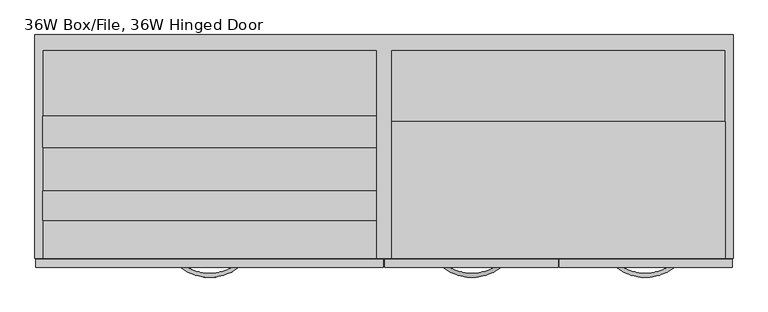
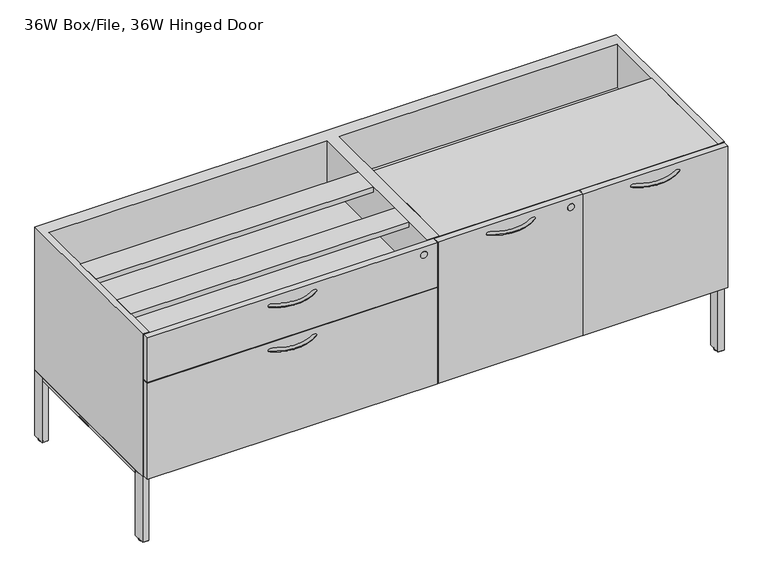
"""IFC4 building model written with IfcOpenShell, lengths in millimetres: furniture geometry, 36W Box/File, 36W Hinged Door."""

import ifcopenshell
import ifcopenshell.guid

model = None  # the IFC model being written
_history = None  # IfcOwnerHistory: only IFC2X3 demands one
_inside = {}  # id of a spatial element -> (the spatial element, [elements in it])
_under = {}  # id of a project, library or spatial element -> (it, [spatial elements below it])
_declared = {}  # id of a project -> (the project, [libraries it declares])
_typed = {}  # id of a type object -> (the type object, [elements of that type])
_made_of = {}  # id of a material, layer set ... -> (it, [elements and type objects made of it])


def new_model(schema):
    """Start an empty IFC model of exactly this schema.

    Asked for "IFC4X3", IfcOpenShell would pick the latest addendum, in which some entities
    have other attributes; the version numbers below select the first issue.
    IFC2X3 requires an IfcOwnerHistory on every rooted entity: one is made here for all.
    """
    global model, _history
    if schema == "IFC4X3":
        model = ifcopenshell.file(schema_version=(4, 3, 0, 0))
    else:
        model = ifcopenshell.file(schema=schema)
    _inside.clear()
    _under.clear()
    _declared.clear()
    _typed.clear()
    _made_of.clear()
    _history = None
    if model.schema == "IFC2X3":
        org = make("IfcOrganization", Name="unknown")
        user = make(
            "IfcPersonAndOrganization",
            ThePerson=make("IfcPerson", FamilyName="unknown"),
            TheOrganization=org,
        )
        app = make(
            "IfcApplication",
            ApplicationDeveloper=org,
            Version="unknown",
            ApplicationFullName="unknown",
            ApplicationIdentifier="unknown",
        )
        _history = make(
            "IfcOwnerHistory",
            OwningUser=user,
            OwningApplication=app,
            ChangeAction="ADDED",
            CreationDate=0,
        )
    return model


def make(cls, **values):
    """One entity of the class cls with the attributes given. An attribute that is None is left unset."""
    return model.create_entity(
        cls, **{name: value for name, value in values.items() if value is not None}
    )


def rooted(cls, **values):
    """An entity with a GlobalId (a new one), such as an element, a storey or a relation."""
    return make(cls, GlobalId=ifcopenshell.guid.new(), OwnerHistory=_history, **values)


def si_unit(unit_type, name, prefix=None):
    """IfcSIUnit, for example si_unit("LENGTHUNIT", "METRE", prefix="MILLI")."""
    return make("IfcSIUnit", UnitType=unit_type, Prefix=prefix, Name=name)


def assignment(units):
    """IfcUnitAssignment: the units of a project."""
    return None if units is None else make("IfcUnitAssignment", Units=units)


def point(xyz):
    """IfcCartesianPoint."""
    return None if xyz is None else make("IfcCartesianPoint", Coordinates=xyz)


def direction(xyz):
    """IfcDirection."""
    return None if xyz is None else make("IfcDirection", DirectionRatios=xyz)


def frame(location, z_axis=None, x_axis=None):
    """IfcAxis2Placement3D, a coordinate frame: its origin and axes. An axis left out is left unset."""
    return make(
        "IfcAxis2Placement3D",
        Location=point(location),
        Axis=direction(z_axis),
        RefDirection=direction(x_axis),
    )


def frame_2d(location, x_axis=None):
    """IfcAxis2Placement2D, a coordinate frame in the plane: its origin and x axis."""
    return make(
        "IfcAxis2Placement2D", Location=point(location), RefDirection=direction(x_axis)
    )


def origin():
    """The frame at (0, 0, 0) with its axes left unset."""
    return frame((0.0, 0.0, 0.0))


def place(relative_to, where):
    """IfcLocalPlacement: puts the frame where relative to a parent placement (None: the world)."""
    return make(
        "IfcLocalPlacement", PlacementRelTo=relative_to, RelativePlacement=where
    )


def context(
    kind, dimensions, precision=None, world=None, true_north=None, identifier=None
):
    """IfcGeometricRepresentationContext, for example the 3D "Model" context."""
    return make(
        "IfcGeometricRepresentationContext",
        ContextIdentifier=identifier,
        ContextType=kind,
        CoordinateSpaceDimension=dimensions,
        Precision=precision,
        WorldCoordinateSystem=world,
        TrueNorth=true_north,
    )


def project(units=None, contexts=None):
    """IfcProject with its units and contexts."""
    return rooted(
        "IfcProject",
        Name="project",
        RepresentationContexts=contexts,
        UnitsInContext=assignment(units),
    )


def spatial(cls, under=None, at=None, **own):
    """A site, building, storey or space (cls), placed at a placement, below another one or the project."""
    s = rooted(cls, ObjectPlacement=at, **own)
    if under is not None:
        _under.setdefault(under.id(), (under, []))[1].append(s)
    return s


def polyline(points):
    """IfcPolyline through the points."""
    return make("IfcPolyline", Points=[point(p) for p in points])


def circle_curve(where, radius):
    """IfcCircle in the frame where."""
    return make("IfcCircle", Position=where, Radius=radius)


def ellipse_curve(where, semi_axis1, semi_axis2):
    """IfcEllipse in the frame where."""
    return make(
        "IfcEllipse", Position=where, SemiAxis1=semi_axis1, SemiAxis2=semi_axis2
    )


def trimmed(basis, trim1, trim2, sense, master):
    """IfcTrimmedCurve: the piece of a basis curve between two trims."""
    return make(
        "IfcTrimmedCurve",
        BasisCurve=basis,
        Trim1=trim1,
        Trim2=trim2,
        SenseAgreement=sense,
        MasterRepresentation=master,
    )


def segment(curve, same_sense, transition):
    """IfcCompositeCurveSegment."""
    return make(
        "IfcCompositeCurveSegment",
        Transition=transition,
        SameSense=same_sense,
        ParentCurve=curve,
    )


def composite_curve(segments, self_intersect=None):
    """IfcCompositeCurve: segments joined end to end."""
    return make("IfcCompositeCurve", Segments=segments, SelfIntersect=self_intersect)


def outline(outer, holes=None, kind="AREA"):
    """IfcArbitraryClosedProfileDef: a profile drawn as a closed curve; with holes, ...WithVoids."""
    if holes is None:
        return make("IfcArbitraryClosedProfileDef", ProfileType=kind, OuterCurve=outer)
    return make(
        "IfcArbitraryProfileDefWithVoids",
        ProfileType=kind,
        OuterCurve=outer,
        InnerCurves=holes,
    )


def extrude(swept, where, along, depth):
    """IfcExtrudedAreaSolid: the profile swept, set in the frame where, extruded along a direction by depth."""
    return make(
        "IfcExtrudedAreaSolid",
        SweptArea=swept,
        Position=where,
        ExtrudedDirection=direction(along),
        Depth=depth,
    )


def faces_of(points, faces, orient=None, outer=None):
    """IfcFace entities. A face is a list of loops; a loop is a list of indices into points, from 0.

    orient and outer hold one flag for each loop. By default every Orientation is true, the
    first loop of a face is its IfcFaceOuterBound and the others are IfcFaceBound.
    """
    made = []
    for i, loops in enumerate(faces):
        bounds = []
        for j, loop in enumerate(loops):
            is_outer = j == 0 if outer is None else outer[i][j]
            bounds.append(
                make(
                    "IfcFaceOuterBound" if is_outer else "IfcFaceBound",
                    Bound=make("IfcPolyLoop", Polygon=[points[k] for k in loop]),
                    Orientation=True if orient is None else orient[i][j],
                )
            )
        made.append(make("IfcFace", Bounds=bounds))
    return made


def faceted_brep(points, faces, orient=None, outer=None, voids=None):
    """IfcFacetedBrep: a solid bounded by flat faces; with voids (closed shells), ...WithVoids."""
    shared = [point(p) for p in points]
    hull = make("IfcClosedShell", CfsFaces=faces_of(shared, faces, orient, outer))
    if voids is None:
        return make("IfcFacetedBrep", Outer=hull)
    return make(
        "IfcFacetedBrepWithVoids",
        Outer=hull,
        Voids=[
            make(cls, CfsFaces=faces_of(shared, fs, o, b)) for cls, fs, o, b in voids
        ],
    )


def shape(context_of_items, identifier, shape_type, items):
    """IfcShapeRepresentation: the items that make up one representation, for example the "Body"."""
    return make(
        "IfcShapeRepresentation",
        ContextOfItems=context_of_items,
        RepresentationIdentifier=identifier,
        RepresentationType=shape_type,
        Items=items,
    )


def source(mapping_origin, context_of_items, identifier, shape_type, items):
    """IfcRepresentationMap: a shape defined once, which mapped items show again and again."""
    return make(
        "IfcRepresentationMap",
        MappingOrigin=mapping_origin,
        MappedRepresentation=shape(context_of_items, identifier, shape_type, items),
    )


def transform(
    local_origin,
    x_axis=None,
    y_axis=None,
    z_axis=None,
    scale=None,
    scale2=None,
    scale3=None,
    uniform=True,
):
    """IfcCartesianTransformationOperator3D, or its non-uniform kind. x_axis, y_axis, z_axis: its Axis1, 2, 3."""
    if uniform:
        return make(
            "IfcCartesianTransformationOperator3D",
            Axis1=direction(x_axis),
            Axis2=direction(y_axis),
            LocalOrigin=point(local_origin),
            Scale=scale,
            Axis3=direction(z_axis),
        )
    return make(
        "IfcCartesianTransformationOperator3DnonUniform",
        Axis1=direction(x_axis),
        Axis2=direction(y_axis),
        LocalOrigin=point(local_origin),
        Scale=scale,
        Axis3=direction(z_axis),
        Scale2=scale2,
        Scale3=scale3,
    )


def mapped(mapping_source, mapping_target):
    """IfcMappedItem: shows the shape of a source again, moved by a transform."""
    return make(
        "IfcMappedItem", MappingSource=mapping_source, MappingTarget=mapping_target
    )


def made_of(thing, what):
    """Note that an element or type object is made of a material, layer set ...; save() writes the relation."""
    if what is not None:
        _made_of.setdefault(what.id(), (what, []))[1].append(thing)
    return thing


def element(
    cls,
    number,
    at=None,
    inside=None,
    cuts=None,
    type_object=None,
    material=None,
    context=None,
    identifier="Body",
    shape_type=None,
    held_by="IfcProductDefinitionShape",
    body=None,
    shapes=None,
    **own,
):
    """One element of the class cls, such as IfcWall. Its Tag is "e" and its number.

    at: its placement. inside: the storey or other place that contains it. cuts: it is an
    opening in that element (IfcRelVoidsElement). A single representation is given by context,
    identifier, shape_type and body (its items); several are given by shapes. held_by: the class
    of the entity that holds the representations. save() writes the other relations.
    """
    e = rooted(cls, Tag="e%d" % number, ObjectPlacement=at, **own)
    if body is not None:
        shapes = [shape(context, identifier, shape_type, body)]
    if shapes is not None:
        e.Representation = make(held_by, Representations=shapes)
    if inside is not None:
        _inside.setdefault(inside.id(), (inside, []))[1].append(e)
    if cuts is not None:
        rooted(
            "IfcRelVoidsElement", RelatingBuildingElement=cuts, RelatedOpeningElement=e
        )
    if type_object is not None:
        _typed.setdefault(type_object.id(), (type_object, []))[1].append(e)
    return made_of(e, material)


def aggregate(whole, parts):
    """IfcRelAggregates: a whole, such as a stair, and the parts it consists of."""
    return rooted("IfcRelAggregates", RelatingObject=whole, RelatedObjects=parts)


def save(model, path):
    """Write the relations noted so far, then the file.

    IfcRelAggregates (storeys below a building ...), IfcRelContainedInSpatialStructure (elements
    in a storey), IfcRelDefinesByType, IfcRelAssociatesMaterial and IfcRelDeclares: one each for
    every whole, place, type object, material and project.
    """
    for whole, parts in _under.values():
        aggregate(whole, parts)
    for where, things in _inside.values():
        rooted(
            "IfcRelContainedInSpatialStructure",
            RelatedElements=things,
            RelatingStructure=where,
        )
    for kind, things in _typed.values():
        rooted("IfcRelDefinesByType", RelatedObjects=things, RelatingType=kind)
    for what, things in _made_of.values():
        rooted("IfcRelAssociatesMaterial", RelatedObjects=things, RelatingMaterial=what)
    for by, libraries in _declared.values():
        rooted("IfcRelDeclares", RelatingContext=by, RelatedDefinitions=libraries)
    model.write(path)


def plane_surface(at):
    """IfcPlane: the flat surface through the origin of the frame at, square to its z axis."""
    return make("IfcPlane", Position=at)


def cylinder_surface(at, radius):
    """IfcCylindricalSurface: all points at the distance radius from the z axis of the frame at."""
    return make("IfcCylindricalSurface", Position=at, Radius=radius)


def revolved_surface(curve, axis_point, axis_direction):
    """IfcSurfaceOfRevolution: the curve turned about the line through axis_point along axis_direction."""
    return make(
        "IfcSurfaceOfRevolution",
        SweptCurve=make("IfcArbitraryOpenProfileDef", ProfileType="CURVE", Curve=curve),
        AxisPosition=make("IfcAxis1Placement", Location=point(axis_point), Axis=direction(axis_direction)),
    )


def advanced_brep(points, edges, surfaces, faces):
    """IfcAdvancedBrep: a solid bounded by faces that lie on surfaces and meet in shared edges.

    An edge is (start, end): straight between two places in points (the first is 0);
    or (start, end, curve); or (start, end, curve, False) where it runs against its curve.
    A face is (place in surfaces, loops), or (place, loops, False) where it looks against
    its surface's normal. A loop lists edges by number (the first is 1), with a minus sign
    where the edge is run from its end to its start. The first loop is the outer one.
    """
    corners = [point(p) for p in points]
    vertices = [make("IfcVertexPoint", VertexGeometry=c) for c in corners]
    made = []
    for start, end, *more in edges:
        made.append(
            make(
                "IfcEdgeCurve",
                EdgeStart=vertices[start],
                EdgeEnd=vertices[end],
                EdgeGeometry=more[0] if more else make("IfcPolyline", Points=[corners[start], corners[end]]),
                SameSense=more[1] if len(more) > 1 else True,
            )
        )
    hull = []
    for where, loops, *sense in faces:
        bounds = []
        for j, loop in enumerate(loops):
            ring = [make("IfcOrientedEdge", EdgeElement=made[abs(k) - 1], Orientation=k > 0) for k in loop]
            bounds.append(
                make(
                    "IfcFaceOuterBound" if j == 0 else "IfcFaceBound",
                    Bound=make("IfcEdgeLoop", EdgeList=ring),
                    Orientation=True,
                )
            )
        hull.append(make("IfcAdvancedFace", Bounds=bounds, FaceSurface=surfaces[where], SameSense=sense[0] if sense else True))
    return make("IfcAdvancedBrep", Outer=make("IfcClosedShell", CfsFaces=hull))


def furniture_36w_box_file_36w_hinged_door_ad2e7df7(model_context):
    return source(origin(), model_context, "Body", "SolidModel", [
        extrude(outline(polyline([(1792.2879219, 566.5293675), (1792.2879219, 20.2565128), (918.1255589, 20.2565128), (918.1255589, 566.5293675), (1792.2879219, 566.5293675)])), frame((0.0, 0.0, 533.8249256), z_axis=(0.0, 0.0, 1.0), x_axis=(1.0, 0.0, 0.0)), (0.0, 0.0, 1.0), 20.4326556),
        extrude(outline(polyline([(1792.2879219, 379.5127302), (1792.2879219, 20.2565128), (918.1255589, 20.2565128), (918.1255589, 379.5127302), (1792.2879219, 379.5127302)])), frame((0.0, 0.0, 680.533461), z_axis=(0.0, 0.0, 1.0), x_axis=(1.0, 0.0, 0.0)), (0.0, 0.0, 1.0), 17.4584819),
        extrude(outline(composite_curve([segment(trimmed(circle_curve(frame_2d((668.0536716, 1317.0976722)), 10.668), [point((668.0536716, 1306.4296722))], [point((668.0536716, 1327.7656722))], False, "CARTESIAN"), True, "CONTINUOUS"), segment(trimmed(circle_curve(frame_2d((668.0536716, 1317.0976722)), 10.668), [point((668.0536716, 1327.7656722))], [point((668.0536716, 1306.4296722))], False, "CARTESIAN"), True, "CONTINUOUS")], self_intersect=False)), frame((0.0, -3.2839442, 0.0), z_axis=(0.0, 1.0, 0.0), x_axis=(0.0, 0.0, 1.0)), (0.0, 0.0, 1.0), 0.5057652),
        advanced_brep(
        [(1051.3865855, -3.5066506, 670.7457627), (1057.522906, 4.5909521, 670.7457627), (1204.6409965, -3.5066506, 670.7457627), (1198.504676, 4.5909521, 670.7457627)],
        [
            (0, 1, circle_curve(frame((1054.4547457, 0.5421507, 670.7457627), z_axis=(-0.7970081450666516, 0.6039685560502428, 0.0), x_axis=(0.6039685560502428, 0.7970081450666516, 0.0)), 5.08)),
            (1, 0, circle_curve(frame((1054.4547457, 0.5421507, 670.7457627), z_axis=(-0.7970081450666516, 0.6039685560502428, 0.0), x_axis=(0.6039685560502428, 0.7970081450666516, 0.0)), 5.08)),
            (2, 3, circle_curve(frame((1201.5728363, 0.5421507, 670.7457627), z_axis=(0.7970081450666516, 0.6039685560502429, 0.0), x_axis=(-0.6039685560502429, 0.7970081450666516, 0.0)), 5.08)),
            (3, 2, circle_curve(frame((1201.5728363, 0.5421507, 670.7457627), z_axis=(0.7970081450666516, 0.6039685560502429, 0.0), x_axis=(-0.6039685560502429, 0.7970081450666516, 0.0)), 5.08)),
            (3, 1, circle_curve(frame((1128.013791, 97.6120357, 670.7457627), z_axis=(0.0, 0.0, -1.0), x_axis=(-0.6039685560502428, -0.7970081450666516, 0.0)), 116.7128393)),
            (0, 2, circle_curve(frame((1128.013791, 97.6120357, 670.7457627), z_axis=(0.0, 0.0, 1.0), x_axis=(-0.6039685560502428, -0.7970081450666516, 0.0)), 126.8728393)),
        ],
        [
            plane_surface(frame((1054.40765, 0.4800024, 821.5631686), z_axis=(-0.7970081450666516, 0.6039685560502428, 0.0), x_axis=(0.0, 0.0, 1.0))),
            plane_surface(frame((1201.6199319, 0.4800024, 821.5631686), z_axis=(0.7970081450666516, 0.6039685560502429, 0.0), x_axis=(0.0, 0.0, 1.0))),
            revolved_surface(trimmed(ellipse_curve(frame((1054.4547457, 0.5421507, 670.7457627), z_axis=(-0.7970081450666516, 0.6039685560502428, 0.0), x_axis=(0.6039685560502428, 0.7970081450666516, 0.0)), 5.08, 5.08), [point((1051.3865855, -3.5066506, 670.7457627))], [point((1057.522906, 4.5909521, 670.7457627))], True, "CARTESIAN"), (1128.013791, 97.6120357, 821.5631686), (0.0, 0.0, 1.0)),
            revolved_surface(trimmed(ellipse_curve(frame((1054.4547457, 0.5421507, 670.7457627), z_axis=(-0.7970081450666516, 0.6039685560502428, 0.0), x_axis=(0.6039685560502428, 0.7970081450666516, 0.0)), 5.08, 5.08), [point((1057.522906, 4.5909521, 670.7457627))], [point((1051.3865855, -3.5066506, 670.7457627))], True, "CARTESIAN"), (1128.013791, 97.6120357, 821.5631686), (0.0, 0.0, 1.0)),
        ],
        [
            (0, [[1, 2]]),
            (1, [[3, 4]]),
            (2, [[5, -1, 6, -4]]),
            (3, [[-6, -2, -5, -3]]),
        ],
    ),
        advanced_brep(
        [(1652.7849378, 4.5909521, 670.7457627), (1658.9212584, -3.5066506, 670.7457627), (1511.8031678, 4.5909521, 670.7457627), (1505.6668473, -3.5066506, 670.7457627)],
        [
            (0, 1, circle_curve(frame((1655.8530981, 0.5421507, 670.7457627), z_axis=(0.7970081450666516, 0.6039685560502428, 0.0), x_axis=(0.6039685560502428, -0.7970081450666516, 0.0)), 5.08)),
            (1, 0, circle_curve(frame((1655.8530981, 0.5421507, 670.7457627), z_axis=(0.7970081450666516, 0.6039685560502428, 0.0), x_axis=(0.6039685560502428, -0.7970081450666516, 0.0)), 5.08)),
            (2, 3, circle_curve(frame((1508.7350076, 0.5421507, 670.7457627), z_axis=(-0.7970081450666516, 0.6039685560502429, 0.0), x_axis=(-0.6039685560502429, -0.7970081450666516, 0.0)), 5.08)),
            (3, 2, circle_curve(frame((1508.7350076, 0.5421507, 670.7457627), z_axis=(-0.7970081450666516, 0.6039685560502429, 0.0), x_axis=(-0.6039685560502429, -0.7970081450666516, 0.0)), 5.08)),
            (3, 1, circle_curve(frame((1582.2940528, 97.6120357, 670.7457627), z_axis=(0.0, 0.0, 1.0), x_axis=(0.6039685560502428, -0.7970081450666516, 0.0)), 126.8728393)),
            (0, 2, circle_curve(frame((1582.2940528, 97.6120357, 670.7457627), z_axis=(0.0, 0.0, -1.0), x_axis=(0.6039685560502428, -0.7970081450666516, 0.0)), 116.7128393)),
        ],
        [
            plane_surface(frame((1655.9001938, 0.4800024, 821.5631686), z_axis=(0.7970081450666516, 0.6039685560502428, 0.0), x_axis=(0.0, 0.0, 1.0))),
            plane_surface(frame((1508.6879119, 0.4800024, 821.5631686), z_axis=(-0.7970081450666516, 0.6039685560502429, 0.0), x_axis=(0.0, 0.0, 1.0))),
            revolved_surface(trimmed(ellipse_curve(frame((1655.8530981, 0.5421507, 670.7457627), z_axis=(0.7970081450666516, 0.6039685560502428, 0.0), x_axis=(0.6039685560502428, -0.7970081450666516, 0.0)), 5.08, 5.08), [point((1652.7849378, 4.5909521, 670.7457627))], [point((1658.9212584, -3.5066506, 670.7457627))], True, "CARTESIAN"), (1582.2940528, 97.6120357, 821.5631686), (0.0, 0.0, -1.0)),
            revolved_surface(trimmed(ellipse_curve(frame((1655.8530981, 0.5421507, 670.7457627), z_axis=(0.7970081450666516, 0.6039685560502428, 0.0), x_axis=(0.6039685560502428, -0.7970081450666516, 0.0)), 5.08, 5.08), [point((1658.9212584, -3.5066506, 670.7457627))], [point((1652.7849378, 4.5909521, 670.7457627))], True, "CARTESIAN"), (1582.2940528, 97.6120357, 821.5631686), (0.0, 0.0, -1.0)),
        ],
        [
            (0, [[1, 2]]),
            (1, [[3, 4]]),
            (2, [[5, -1, 6, -4]]),
            (3, [[-6, -2, -5, -3]]),
        ],
    ),
        extrude(outline(polyline([(1353.8839219, -2.7781791), (899.7319219, -2.7781791), (899.7319219, 17.389475), (1353.8839219, 17.389475), (1353.8839219, -2.7781791)])), frame((0.0, 0.0, 227.4632064), z_axis=(0.0, 0.0, 1.0), x_axis=(1.0, 0.0, 0.0)), (0.0, 0.0, 1.0), 470.5287365),
        extrude(outline(polyline([(1810.5759219, -2.7781791), (1356.4239219, -2.7781791), (1356.4239219, 17.389475), (1810.5759219, 17.389475), (1810.5759219, -2.7781791)])), frame((0.0, 0.0, 227.4632064), z_axis=(0.0, 0.0, 1.0), x_axis=(1.0, 0.0, 0.0)), (0.0, 0.0, 1.0), 470.5287365),
        extrude(outline(polyline([(877.8879219, 566.5293675), (877.8879219, 20.2565128), (3.7255589, 20.2565128), (3.7255589, 566.5293675), (877.8879219, 566.5293675)])), frame((0.0, 0.0, 533.8249256), z_axis=(0.0, 0.0, 1.0), x_axis=(1.0, 0.0, 0.0)), (0.0, 0.0, 1.0), 20.4326556),
        extrude(outline(polyline([(877.8879219, 393.7476878), (877.8879219, 311.6469094), (3.7255589, 311.6469094), (3.7255589, 393.7476878), (877.8879219, 393.7476878)])), frame((0.0, 0.0, 680.533461), z_axis=(0.0, 0.0, 1.0), x_axis=(1.0, 0.0, 0.0)), (0.0, 0.0, 1.0), 17.4584819),
        extrude(outline(polyline([(877.8879219, 196.8653932), (877.8879219, 119.6379172), (3.7255589, 119.6379172), (3.7255589, 196.8653932), (877.8879219, 196.8653932)])), frame((0.0, 0.0, 680.533461), z_axis=(0.0, 0.0, 1.0), x_axis=(1.0, 0.0, 0.0)), (0.0, 0.0, 1.0), 17.4584819),
        extrude(outline(composite_curve([segment(trimmed(circle_curve(frame_2d((671.2286716, 855.1353488)), 10.668), [point((671.2286716, 844.4673488))], [point((671.2286716, 865.8033488))], False, "CARTESIAN"), True, "CONTINUOUS"), segment(trimmed(circle_curve(frame_2d((671.2286716, 855.1353488)), 10.668), [point((671.2286716, 865.8033488))], [point((671.2286716, 844.4673488))], False, "CARTESIAN"), True, "CONTINUOUS")], self_intersect=False)), frame((0.0, -3.2839442, 0.0), z_axis=(0.0, 1.0, 0.0), x_axis=(0.0, 0.0, 1.0)), (0.0, 0.0, 1.0), 0.5057652),
        extrude(outline(polyline([(896.1759219, -2.7781791), (-14.6680781, -2.7781791), (-14.6680781, 17.389475), (896.1759219, 17.389475), (896.1759219, -2.7781791)])), frame((0.0, 0.0, 227.4632064), z_axis=(0.0, 0.0, 1.0), x_axis=(1.0, 0.0, 0.0)), (0.0, 0.0, 1.0), 319.6435151),
        advanced_brep(
        [(511.6264378, 4.5909521, 523.489484), (517.7627584, -3.5066506, 523.489484), (370.6446678, 4.5909521, 523.489484), (364.5083473, -3.5066506, 523.489484)],
        [
            (0, 1, circle_curve(frame((514.6945981, 0.5421507, 523.489484), z_axis=(0.7970081450658205, 0.6039685560513396, 0.0), x_axis=(0.6039685560513396, -0.7970081450658205, 0.0)), 5.08)),
            (1, 0, circle_curve(frame((514.6945981, 0.5421507, 523.489484), z_axis=(0.7970081450658205, 0.6039685560513396, 0.0), x_axis=(0.6039685560513396, -0.7970081450658205, 0.0)), 5.08)),
            (2, 3, circle_curve(frame((367.5765076, 0.5421507, 523.489484), z_axis=(-0.7970081450658225, 0.6039685560513367, 0.0), x_axis=(-0.6039685560513367, -0.7970081450658225, 0.0)), 5.08)),
            (3, 2, circle_curve(frame((367.5765076, 0.5421507, 523.489484), z_axis=(-0.7970081450658225, 0.6039685560513367, 0.0), x_axis=(-0.6039685560513367, -0.7970081450658225, 0.0)), 5.08)),
            (3, 1, circle_curve(frame((441.1355528, 97.6120357, 523.489484), z_axis=(0.0, 0.0, 1.0), x_axis=(0.6039685560513394, -0.7970081450658206, 0.0)), 126.8728393)),
            (0, 2, circle_curve(frame((441.1355528, 97.6120357, 523.489484), z_axis=(0.0, 0.0, -1.0), x_axis=(0.6039685560513394, -0.7970081450658206, 0.0)), 116.7128393)),
        ],
        [
            plane_surface(frame((514.7416938, 0.4800024, 674.3068899), z_axis=(0.7970081450658206, 0.6039685560513394, 0.0), x_axis=(0.0, 0.0, 1.0))),
            plane_surface(frame((367.5294119, 0.4800024, 674.3068899), z_axis=(-0.7970081450658225, 0.6039685560513369, 0.0), x_axis=(0.0, 0.0, 1.0))),
            revolved_surface(trimmed(ellipse_curve(frame((514.6945981, 0.5421507, 523.489484), z_axis=(0.7970081450658205, 0.6039685560513396, 0.0), x_axis=(0.6039685560513396, -0.7970081450658205, 0.0)), 5.08, 5.08), [point((511.6264378, 4.5909521, 523.489484))], [point((517.7627584, -3.5066506, 523.489484))], True, "CARTESIAN"), (441.1355528, 97.6120357, 674.3068899), (0.0, 0.0, -1.0)),
            revolved_surface(trimmed(ellipse_curve(frame((514.6945981, 0.5421507, 523.489484), z_axis=(0.7970081450658205, 0.6039685560513396, 0.0), x_axis=(0.6039685560513396, -0.7970081450658205, 0.0)), 5.08, 5.08), [point((517.7627584, -3.5066506, 523.489484))], [point((511.6264378, 4.5909521, 523.489484))], True, "CARTESIAN"), (441.1355528, 97.6120357, 674.3068899), (0.0, 0.0, -1.0)),
        ],
        [
            (0, [[1, 2]]),
            (1, [[3, 4]]),
            (2, [[5, -1, 6, -4]]),
            (3, [[-6, -2, -5, -3]]),
        ],
    ),
        advanced_brep(
        [(511.6264378, 4.5909521, 670.7457627), (517.7627584, -3.5066506, 670.7457627), (370.6446678, 4.5909521, 670.7457627), (364.5083473, -3.5066506, 670.7457627)],
        [
            (0, 1, circle_curve(frame((514.6945981, 0.5421507, 670.7457627), z_axis=(0.7970081450658205, 0.6039685560513396, 0.0), x_axis=(0.6039685560513396, -0.7970081450658205, 0.0)), 5.08)),
            (1, 0, circle_curve(frame((514.6945981, 0.5421507, 670.7457627), z_axis=(0.7970081450658205, 0.6039685560513396, 0.0), x_axis=(0.6039685560513396, -0.7970081450658205, 0.0)), 5.08)),
            (2, 3, circle_curve(frame((367.5765076, 0.5421507, 670.7457627), z_axis=(-0.7970081450658225, 0.6039685560513367, 0.0), x_axis=(-0.6039685560513367, -0.7970081450658225, 0.0)), 5.08)),
            (3, 2, circle_curve(frame((367.5765076, 0.5421507, 670.7457627), z_axis=(-0.7970081450658225, 0.6039685560513367, 0.0), x_axis=(-0.6039685560513367, -0.7970081450658225, 0.0)), 5.08)),
            (3, 1, circle_curve(frame((441.1355528, 97.6120357, 670.7457627), z_axis=(0.0, 0.0, 1.0), x_axis=(0.6039685560513394, -0.7970081450658206, 0.0)), 126.8728393)),
            (0, 2, circle_curve(frame((441.1355528, 97.6120357, 670.7457627), z_axis=(0.0, 0.0, -1.0), x_axis=(0.6039685560513394, -0.7970081450658206, 0.0)), 116.7128393)),
        ],
        [
            plane_surface(frame((514.7416938, 0.4800024, 821.5631686), z_axis=(0.7970081450658206, 0.6039685560513394, 0.0), x_axis=(0.0, 0.0, 1.0))),
            plane_surface(frame((367.5294119, 0.4800024, 821.5631686), z_axis=(-0.7970081450658225, 0.6039685560513369, 0.0), x_axis=(0.0, 0.0, 1.0))),
            revolved_surface(trimmed(ellipse_curve(frame((514.6945981, 0.5421507, 670.7457627), z_axis=(0.7970081450658205, 0.6039685560513396, 0.0), x_axis=(0.6039685560513396, -0.7970081450658205, 0.0)), 5.08, 5.08), [point((511.6264378, 4.5909521, 670.7457627))], [point((517.7627584, -3.5066506, 670.7457627))], True, "CARTESIAN"), (441.1355528, 97.6120357, 821.5631686), (0.0, 0.0, -1.0)),
            revolved_surface(trimmed(ellipse_curve(frame((514.6945981, 0.5421507, 670.7457627), z_axis=(0.7970081450658205, 0.6039685560513396, 0.0), x_axis=(0.6039685560513396, -0.7970081450658205, 0.0)), 5.08, 5.08), [point((517.7627584, -3.5066506, 670.7457627))], [point((511.6264378, 4.5909521, 670.7457627))], True, "CARTESIAN"), (441.1355528, 97.6120357, 821.5631686), (0.0, 0.0, -1.0)),
        ],
        [
            (0, [[1, 2]]),
            (1, [[3, 4]]),
            (2, [[5, -1, 6, -4]]),
            (3, [[-6, -2, -5, -3]]),
        ],
    ),
        extrude(outline(polyline([(896.1759219, -2.7781791), (-14.6680781, -2.7781791), (-14.6680781, 17.389475), (896.1759219, 17.389475), (896.1759219, -2.7781791)])), frame((0.0, 0.0, 550.1639961), z_axis=(0.0, 0.0, 1.0), x_axis=(1.0, 0.0, 0.0)), (0.0, 0.0, 1.0), 147.8279922),
        advanced_brep(
        [(1802.4320469, 47.7027937, 0.0), (1802.4320469, 32.4345574, 0.0), (1802.4320469, 40.0686756, 0.0), (1802.4320469, 49.9748538, 2.2720601), (1802.4320469, 30.1624973, 2.2720601), (1802.4320469, 49.9748538, 3.8099903), (1802.4320469, 30.1624973, 3.8099903), (1802.4320469, 40.0686756, 3.8099903)],
        [
            (0, 1, circle_curve(frame((1802.4320469, 40.0686756, 0.0), z_axis=(0.0, 0.0, -1.0), x_axis=(0.0, -1.0, 0.0)), 7.6341181)),
            (1, 2),
            (2, 0),
            (1, 0, circle_curve(frame((1802.4320469, 40.0686756, 0.0), z_axis=(0.0, 0.0, -1.0), x_axis=(0.0, -1.0, 0.0)), 7.6341181)),
            (3, 4, circle_curve(frame((1802.4320469, 40.0686756, 2.2720601), z_axis=(0.0, 0.0, -1.0), x_axis=(0.0, -1.0, 0.0)), 9.9061783)),
            (4, 1, circle_curve(frame((1802.4320469, 32.4345574, 2.2720601), z_axis=(1.0, 0.0, 0.0), x_axis=(0.0, 1.0, 0.0)), 2.2720601)),
            (0, 3, circle_curve(frame((1802.4320469, 47.7027937, 2.2720601), z_axis=(1.0, 0.0, 0.0), x_axis=(0.0, -1.0, 0.0)), 2.2720601)),
            (4, 3, circle_curve(frame((1802.4320469, 40.0686756, 2.2720601), z_axis=(0.0, 0.0, -1.0), x_axis=(0.0, -1.0, 0.0)), 9.9061783)),
            (5, 6, circle_curve(frame((1802.4320469, 40.0686756, 3.8099903), z_axis=(0.0, 0.0, -1.0), x_axis=(0.0, -1.0, 0.0)), 9.9061783)),
            (6, 4),
            (3, 5),
            (6, 5, circle_curve(frame((1802.4320469, 40.0686756, 3.8099903), z_axis=(0.0, 0.0, -1.0), x_axis=(0.0, -1.0, 0.0)), 9.9061783)),
            (7, 6),
            (5, 7),
        ],
        [
            plane_surface(frame((1802.4320469, 40.0686756, 0.0), z_axis=(0.0, 0.0, -1.0), x_axis=(0.0, -1.0, 0.0))),
            revolved_surface(trimmed(ellipse_curve(frame((1802.4320469, 32.4345574, 2.2720601), z_axis=(-1.0, 0.0, 0.0), x_axis=(0.0, 1.0, 0.0)), 2.2720601, 2.2720601), [point((1802.4320469, 32.4345574, 0.0))], [point((1802.4320469, 30.1624973, 2.2720601))], True, "CARTESIAN"), (1802.4320469, 40.0686756, 7.1227407), (0.0, 0.0, 1.0)),
            cylinder_surface(frame((1802.4320469, 40.0686756, 7.1227407), z_axis=(0.0, 0.0, 1.0), x_axis=(0.0, -1.0, 0.0)), 9.9061783),
            plane_surface(frame((1802.4320469, 40.0686756, 3.8099903), z_axis=(0.0, 0.0, 1.0), x_axis=(0.0, -1.0, 0.0))),
        ],
        [
            (0, [[1, 2, 3]]),
            (0, [[4, -3, -2]]),
            (1, [[5, 6, -1, 7]]),
            (1, [[8, -7, -4, -6]]),
            (2, [[9, 10, -5, 11]]),
            (2, [[12, -11, -8, -10]]),
            (3, [[13, -9, 14]]),
            (3, [[-14, -12, -13]]),
        ],
    ),
        extrude(outline(polyline([(1794.2393905, 22.0247188), (1794.2393905, 58.1123416), (1810.4953447, 58.1123416), (1810.4953447, 22.0247188), (1794.2393905, 22.0247188)]), holes=[polyline([(1795.5093832, 23.2946994), (1809.2253459, 23.2946994), (1809.2253459, 56.842361), (1795.5093832, 56.842361), (1795.5093832, 23.2946994)])]), frame((0.0, 0.0, 3.8099903), z_axis=(0.0, 0.0, 1.0), x_axis=(1.0, 0.0, 0.0)), (0.0, 0.0, 1.0), 1.5750008),
        extrude(outline(polyline([(1706.3248821, 43.672924), (1708.7539274, 56.1692787), (1674.6218606, 62.8038804), (1674.6218606, 156.9726182), (1809.9679982, 140.3902326), (1809.9679982, 59.8805477), (1792.5375443, 59.8805477), (1792.5375443, 26.9148801), (1706.3248821, 43.672924)])), frame((0.0, 0.0, 211.9174185), z_axis=(0.0, 0.0, 1.0), x_axis=(1.0, 0.0, 0.0)), (0.0, 0.0, 1.0), 10.7575071),
        extrude(outline(polyline([(1792.5375443, 20.2565128), (1792.5375443, 59.8805477), (1812.3539219, 59.8805477), (1812.3539219, 20.2565128), (1792.5375443, 20.2565128)])), frame((0.0, 0.0, 5.3850274), z_axis=(0.0, 0.0, 1.0), x_axis=(1.0, 0.0, 0.0)), (0.0, 0.0, 1.0), 217.2898982),
        advanced_brep(
        [(-6.5242031, 47.7027937, 0.0), (-6.5242031, 40.0686756, 0.0), (-6.5242031, 32.4345574, 0.0), (-6.5242031, 49.9748538, 2.2720601), (-6.5242031, 30.1624973, 2.2720601), (-6.5242031, 49.9748538, 3.8099903), (-6.5242031, 30.1624973, 3.8099903), (-6.5242031, 40.0686756, 3.8099903)],
        [
            (0, 1),
            (1, 2),
            (2, 0, circle_curve(frame((-6.5242031, 40.0686756, 0.0), z_axis=(0.0, 0.0, -1.0), x_axis=(0.0, -1.0, 0.0)), 7.6341181)),
            (0, 2, circle_curve(frame((-6.5242031, 40.0686756, 0.0), z_axis=(0.0, 0.0, -1.0), x_axis=(0.0, -1.0, 0.0)), 7.6341181)),
            (3, 0, circle_curve(frame((-6.5242031, 47.7027937, 2.2720601), z_axis=(-1.0, 0.0, 0.0), x_axis=(0.0, -1.0, 0.0)), 2.2720601)),
            (2, 4, circle_curve(frame((-6.5242031, 32.4345574, 2.2720601), z_axis=(-1.0, 0.0, 0.0), x_axis=(0.0, 1.0, 0.0)), 2.2720601)),
            (4, 3, circle_curve(frame((-6.5242031, 40.0686756, 2.2720601), z_axis=(0.0, 0.0, -1.0), x_axis=(0.0, -1.0, 0.0)), 9.9061783)),
            (3, 4, circle_curve(frame((-6.5242031, 40.0686756, 2.2720601), z_axis=(0.0, 0.0, -1.0), x_axis=(0.0, -1.0, 0.0)), 9.9061783)),
            (5, 3),
            (4, 6),
            (6, 5, circle_curve(frame((-6.5242031, 40.0686756, 3.8099903), z_axis=(0.0, 0.0, -1.0), x_axis=(0.0, -1.0, 0.0)), 9.9061783)),
            (5, 6, circle_curve(frame((-6.5242031, 40.0686756, 3.8099903), z_axis=(0.0, 0.0, -1.0), x_axis=(0.0, -1.0, 0.0)), 9.9061783)),
            (7, 5),
            (6, 7),
        ],
        [
            plane_surface(frame((-6.5242031, 40.0686756, 0.0), z_axis=(0.0, 0.0, -1.0), x_axis=(0.0, -1.0, 0.0))),
            revolved_surface(trimmed(ellipse_curve(frame((-6.5242031, 32.4345574, 2.2720601), z_axis=(-1.0, 0.0, 0.0), x_axis=(0.0, 1.0, 0.0)), 2.2720601, 2.2720601), [point((-6.5242031, 32.4345574, 0.0))], [point((-6.5242031, 30.1624973, 2.2720601))], True, "CARTESIAN"), (-6.5242031, 40.0686756, 7.1227407), (0.0, 0.0, 1.0)),
            cylinder_surface(frame((-6.5242031, 40.0686756, 7.1227407), z_axis=(0.0, 0.0, 1.0), x_axis=(0.0, -1.0, 0.0)), 9.9061783),
            plane_surface(frame((-6.5242031, 40.0686756, 3.8099903), z_axis=(0.0, 0.0, 1.0), x_axis=(0.0, -1.0, 0.0))),
        ],
        [
            (0, [[1, 2, 3]]),
            (0, [[-2, -1, 4]]),
            (1, [[5, -3, 6, 7]]),
            (1, [[-6, -4, -5, 8]]),
            (2, [[9, -7, 10, 11]]),
            (2, [[-10, -8, -9, 12]]),
            (3, [[13, -11, 14]]),
            (3, [[-14, -12, -13]]),
        ],
    ),
        extrude(outline(polyline([(1.6684533, 22.0247188), (-14.5875009, 22.0247188), (-14.5875009, 58.1123416), (1.6684533, 58.1123416), (1.6684533, 22.0247188)]), holes=[polyline([(0.3984606, 23.2946994), (0.3984606, 56.842361), (-13.3175021, 56.842361), (-13.3175021, 23.2946994), (0.3984606, 23.2946994)])]), frame((0.0, 0.0, 3.8099903), z_axis=(0.0, 0.0, 1.0), x_axis=(1.0, 0.0, 0.0)), (0.0, 0.0, 1.0), 1.5750008),
        extrude(outline(polyline([(89.5829617, 43.672924), (3.3702996, 26.9148801), (3.3702996, 59.8805477), (-14.0601544, 59.8805477), (-14.0601544, 140.3902326), (121.2859833, 156.9726182), (121.2859833, 62.8038804), (87.1539164, 56.1692787), (89.5829617, 43.672924)])), frame((0.0, 0.0, 211.9174185), z_axis=(0.0, 0.0, 1.0), x_axis=(1.0, 0.0, 0.0)), (0.0, 0.0, 1.0), 10.7575071),
        extrude(outline(polyline([(3.3702996, 20.2565128), (-16.4460781, 20.2565128), (-16.4460781, 59.8805477), (3.3702996, 59.8805477), (3.3702996, 20.2565128)])), frame((0.0, 0.0, 5.3850274), z_axis=(0.0, 0.0, 1.0), x_axis=(1.0, 0.0, 0.0)), (0.0, 0.0, 1.0), 217.2898982),
        advanced_brep(
        [(1802.4320469, 579.37554, 0.0), (1802.4320469, 587.0096581, 0.0), (1802.4320469, 594.6437763, 0.0), (1802.4320469, 577.1034799, 2.2720601), (1802.4320469, 596.9158364, 2.2720601), (1802.4320469, 577.1034799, 3.8099903), (1802.4320469, 596.9158364, 3.8099903), (1802.4320469, 587.0096581, 3.8099903)],
        [
            (0, 1),
            (1, 2),
            (2, 0, circle_curve(frame((1802.4320469, 587.0096581, 0.0), z_axis=(0.0, 0.0, -1.0), x_axis=(0.0, 1.0, 0.0)), 7.6341181)),
            (0, 2, circle_curve(frame((1802.4320469, 587.0096581, 0.0), z_axis=(0.0, 0.0, -1.0), x_axis=(0.0, 1.0, 0.0)), 7.6341181)),
            (3, 0, circle_curve(frame((1802.4320469, 579.37554, 2.2720601), z_axis=(1.0, 0.0, 0.0), x_axis=(0.0, 1.0, 0.0)), 2.2720601)),
            (2, 4, circle_curve(frame((1802.4320469, 594.6437763, 2.2720601), z_axis=(1.0, 0.0, 0.0), x_axis=(0.0, -1.0, 0.0)), 2.2720601)),
            (4, 3, circle_curve(frame((1802.4320469, 587.0096581, 2.2720601), z_axis=(0.0, 0.0, -1.0), x_axis=(0.0, 1.0, 0.0)), 9.9061783)),
            (3, 4, circle_curve(frame((1802.4320469, 587.0096581, 2.2720601), z_axis=(0.0, 0.0, -1.0), x_axis=(0.0, 1.0, 0.0)), 9.9061783)),
            (5, 3),
            (4, 6),
            (6, 5, circle_curve(frame((1802.4320469, 587.0096581, 3.8099903), z_axis=(0.0, 0.0, -1.0), x_axis=(0.0, 1.0, 0.0)), 9.9061783)),
            (5, 6, circle_curve(frame((1802.4320469, 587.0096581, 3.8099903), z_axis=(0.0, 0.0, -1.0), x_axis=(0.0, 1.0, 0.0)), 9.9061783)),
            (7, 5),
            (6, 7),
        ],
        [
            plane_surface(frame((1802.4320469, 587.0096581, 0.0), z_axis=(0.0, 0.0, -1.0), x_axis=(0.0, 1.0, 0.0))),
            revolved_surface(trimmed(ellipse_curve(frame((1802.4320469, 594.6437763, 2.2720601), z_axis=(1.0, 0.0, 0.0), x_axis=(0.0, -1.0, 0.0)), 2.2720601, 2.2720601), [point((1802.4320469, 594.6437763, 0.0))], [point((1802.4320469, 596.9158364, 2.2720601))], True, "CARTESIAN"), (1802.4320469, 587.0096581, 7.1227407), (0.0, 0.0, 1.0)),
            cylinder_surface(frame((1802.4320469, 587.0096581, 7.1227407), z_axis=(0.0, 0.0, 1.0), x_axis=(0.0, 1.0, 0.0)), 9.9061783),
            plane_surface(frame((1802.4320469, 587.0096581, 3.8099903), z_axis=(0.0, 0.0, 1.0), x_axis=(0.0, 1.0, 0.0))),
        ],
        [
            (0, [[1, 2, 3]]),
            (0, [[-2, -1, 4]]),
            (1, [[5, -3, 6, 7]]),
            (1, [[-6, -4, -5, 8]]),
            (2, [[9, -7, 10, 11]]),
            (2, [[-10, -8, -9, 12]]),
            (3, [[13, -11, 14]]),
            (3, [[-14, -12, -13]]),
        ],
    ),
        extrude(outline(polyline([(1794.2393905, 605.0536149), (1810.4953447, 605.0536149), (1810.4953447, 568.9659921), (1794.2393905, 568.9659921), (1794.2393905, 605.0536149)]), holes=[polyline([(1795.5093832, 603.7836343), (1795.5093832, 570.2359727), (1809.2253459, 570.2359727), (1809.2253459, 603.7836343), (1795.5093832, 603.7836343)])]), frame((0.0, 0.0, 3.8099903), z_axis=(0.0, 0.0, 1.0), x_axis=(1.0, 0.0, 0.0)), (0.0, 0.0, 1.0), 1.5750008),
        extrude(outline(polyline([(1706.3248821, 583.4054097), (1792.5375443, 600.1634536), (1792.5375443, 567.197786), (1809.9679982, 567.197786), (1809.9679982, 486.6881011), (1674.6218606, 470.1057155), (1674.6218606, 564.2744533), (1708.7539274, 570.909055), (1706.3248821, 583.4054097)])), frame((0.0, 0.0, 211.9174185), z_axis=(0.0, 0.0, 1.0), x_axis=(1.0, 0.0, 0.0)), (0.0, 0.0, 1.0), 10.7575071),
        extrude(outline(polyline([(1792.5375443, 606.8218209), (1812.3539219, 606.8218209), (1812.3539219, 567.197786), (1792.5375443, 567.197786), (1792.5375443, 606.8218209)])), frame((0.0, 0.0, 5.3850274), z_axis=(0.0, 0.0, 1.0), x_axis=(1.0, 0.0, 0.0)), (0.0, 0.0, 1.0), 217.2898982),
        advanced_brep(
        [(-6.5242031, 579.37554, 0.0), (-6.5242031, 594.6437763, 0.0), (-6.5242031, 587.0096581, 0.0), (-6.5242031, 577.1034799, 2.2720601), (-6.5242031, 596.9158364, 2.2720601), (-6.5242031, 577.1034799, 3.8099903), (-6.5242031, 596.9158364, 3.8099903), (-6.5242031, 587.0096581, 3.8099903)],
        [
            (0, 1, circle_curve(frame((-6.5242031, 587.0096581, 0.0), z_axis=(0.0, 0.0, -1.0), x_axis=(0.0, 1.0, 0.0)), 7.6341181)),
            (1, 2),
            (2, 0),
            (1, 0, circle_curve(frame((-6.5242031, 587.0096581, 0.0), z_axis=(0.0, 0.0, -1.0), x_axis=(0.0, 1.0, 0.0)), 7.6341181)),
            (3, 4, circle_curve(frame((-6.5242031, 587.0096581, 2.2720601), z_axis=(0.0, 0.0, -1.0), x_axis=(0.0, 1.0, 0.0)), 9.9061783)),
            (4, 1, circle_curve(frame((-6.5242031, 594.6437763, 2.2720601), z_axis=(-1.0, 0.0, 0.0), x_axis=(0.0, -1.0, 0.0)), 2.2720601)),
            (0, 3, circle_curve(frame((-6.5242031, 579.37554, 2.2720601), z_axis=(-1.0, 0.0, 0.0), x_axis=(0.0, 1.0, 0.0)), 2.2720601)),
            (4, 3, circle_curve(frame((-6.5242031, 587.0096581, 2.2720601), z_axis=(0.0, 0.0, -1.0), x_axis=(0.0, 1.0, 0.0)), 9.9061783)),
            (5, 6, circle_curve(frame((-6.5242031, 587.0096581, 3.8099903), z_axis=(0.0, 0.0, -1.0), x_axis=(0.0, 1.0, 0.0)), 9.9061783)),
            (6, 4),
            (3, 5),
            (6, 5, circle_curve(frame((-6.5242031, 587.0096581, 3.8099903), z_axis=(0.0, 0.0, -1.0), x_axis=(0.0, 1.0, 0.0)), 9.9061783)),
            (7, 6),
            (5, 7),
        ],
        [
            plane_surface(frame((-6.5242031, 587.0096581, 0.0), z_axis=(0.0, 0.0, -1.0), x_axis=(0.0, 1.0, 0.0))),
            revolved_surface(trimmed(ellipse_curve(frame((-6.5242031, 594.6437763, 2.2720601), z_axis=(1.0, 0.0, 0.0), x_axis=(0.0, -1.0, 0.0)), 2.2720601, 2.2720601), [point((-6.5242031, 594.6437763, 0.0))], [point((-6.5242031, 596.9158364, 2.2720601))], True, "CARTESIAN"), (-6.5242031, 587.0096581, 7.1227407), (0.0, 0.0, 1.0)),
            cylinder_surface(frame((-6.5242031, 587.0096581, 7.1227407), z_axis=(0.0, 0.0, 1.0), x_axis=(0.0, 1.0, 0.0)), 9.9061783),
            plane_surface(frame((-6.5242031, 587.0096581, 3.8099903), z_axis=(0.0, 0.0, 1.0), x_axis=(0.0, 1.0, 0.0))),
        ],
        [
            (0, [[1, 2, 3]]),
            (0, [[4, -3, -2]]),
            (1, [[5, 6, -1, 7]]),
            (1, [[8, -7, -4, -6]]),
            (2, [[9, 10, -5, 11]]),
            (2, [[12, -11, -8, -10]]),
            (3, [[13, -9, 14]]),
            (3, [[-14, -12, -13]]),
        ],
    ),
        extrude(outline(polyline([(1.6684533, 605.0536149), (1.6684533, 568.9659921), (-14.5875009, 568.9659921), (-14.5875009, 605.0536149), (1.6684533, 605.0536149)]), holes=[polyline([(0.3984606, 603.7836343), (-13.3175021, 603.7836343), (-13.3175021, 570.2359727), (0.3984606, 570.2359727), (0.3984606, 603.7836343)])]), frame((0.0, 0.0, 3.8099903), z_axis=(0.0, 0.0, 1.0), x_axis=(1.0, 0.0, 0.0)), (0.0, 0.0, 1.0), 1.5750008),
        extrude(outline(polyline([(89.5829617, 583.4054097), (87.1539164, 570.909055), (121.2859833, 564.2744533), (121.2859833, 470.1057155), (-14.0601544, 486.6881011), (-14.0601544, 567.197786), (3.3702996, 567.197786), (3.3702996, 600.1634536), (89.5829617, 583.4054097)])), frame((0.0, 0.0, 211.9174185), z_axis=(0.0, 0.0, 1.0), x_axis=(1.0, 0.0, 0.0)), (0.0, 0.0, 1.0), 10.7575071),
        extrude(outline(polyline([(3.3702996, 606.8218209), (3.3702996, 567.197786), (-16.4460781, 567.197786), (-16.4460781, 606.8218209), (3.3702996, 606.8218209)])), frame((0.0, 0.0, 5.3850274), z_axis=(0.0, 0.0, 1.0), x_axis=(1.0, 0.0, 0.0)), (0.0, 0.0, 1.0), 217.2898982),
        advanced_brep(
        [(3.7255589, 269.3366351, 222.6749256), (3.7255589, 282.0364733, 222.6749256), (3.7255589, 282.0364733, 220.7765676), (3.7255589, 271.2413551, 220.7765676), (3.7255589, 271.2413551, 207.8944653), (3.7255589, 269.3366351, 207.8944653), (3.7255589, 221.0974219, 220.7765676), (3.7255589, 210.3023929, 220.7765676), (3.7255589, 210.3023929, 222.6749256), (3.7255589, 223.0026889, 222.6749256), (3.7255589, 223.0026889, 207.8944653), (3.7255589, 221.0974219, 207.8944653), (1792.1395589, 223.0026889, 222.6749256), (1792.1395589, 210.3023929, 222.6749256), (1792.1395589, 210.3023929, 220.7765676), (1792.1395589, 221.0974219, 220.7765676), (1792.1395589, 221.0974219, 207.8944653), (1792.1395589, 223.0026889, 207.8944653), (1792.1395589, 271.2413551, 220.7765676), (1792.1395589, 282.0364733, 220.7765676), (1792.1395589, 282.0364733, 222.6749256), (1792.1395589, 269.3366351, 222.6749256), (1792.1395589, 269.3366351, 207.8944653), (1792.1395589, 271.2413551, 207.8944653), (1687.7655072, 271.2413551, 173.9810321), (108.0996105, 271.2413551, 173.9810321), (1687.167131, 271.232332, 173.7866064), (1687.167131, 269.142135, 171.881812), (108.6979867, 269.142135, 171.881812), (108.6979867, 271.232332, 173.7866064), (1687.167131, 223.4287418, 171.881812), (108.6979867, 223.4287418, 171.881812), (1687.167131, 221.1367714, 173.7866064), (1688.4798315, 221.0974219, 174.2131318), (107.3852862, 221.0974219, 174.2131318), (108.6979867, 221.1367714, 173.7866064), (1687.167131, 223.0026889, 173.7866064), (108.6979867, 223.0026889, 173.7866064), (1687.167131, 269.3366351, 173.7866064), (108.6979867, 269.3366351, 173.7866064)],
        [
            (0, 1),
            (1, 2),
            (2, 3),
            (3, 4),
            (4, 5),
            (5, 0),
            (6, 7),
            (7, 8),
            (8, 9),
            (9, 10),
            (10, 11),
            (11, 6),
            (12, 13),
            (13, 14),
            (14, 15),
            (15, 16),
            (16, 17),
            (17, 12),
            (18, 19),
            (19, 20),
            (20, 21),
            (21, 22),
            (22, 23),
            (23, 18),
            (0, 21),
            (20, 1),
            (19, 2),
            (18, 3),
            (23, 24),
            (24, 25),
            (25, 4),
            (24, 26, ellipse_curve(frame((1687.7655072, 269.142135, 173.9810321), z_axis=(-0.3090190390696079, 0.0, 0.9510558519311557), x_axis=(-0.9510558519311555, 0.0, -0.3090190390696079)), 6.793174, 2.0992201)),
            (26, 27, circle_curve(frame((1687.167131, 269.142135, 173.9810321), z_axis=(-1.0, 0.0, 0.0), x_axis=(0.0, 1.0, 0.0)), 2.0992201)),
            (27, 28),
            (28, 29, circle_curve(frame((108.6979867, 269.142135, 173.9810321), z_axis=(1.0, 0.0, 0.0), x_axis=(0.0, 1.0, 0.0)), 2.0992201)),
            (29, 25, ellipse_curve(frame((108.0996105, 269.142135, 173.9810321), z_axis=(0.30901903906961936, 0.0, 0.9510558519311519), x_axis=(-0.9510558519311518, 0.0, 0.3090190390696194)), 6.793174, 2.0992201)),
            (27, 30),
            (30, 31),
            (31, 28),
            (30, 32, circle_curve(frame((1687.167131, 223.4287418, 174.2131318), z_axis=(-1.0, 0.0, 0.0), x_axis=(0.0, 1.0, 0.0)), 2.3313198)),
            (32, 33, ellipse_curve(frame((1688.4798315, 223.4287418, 174.2131318), z_axis=(-0.3090190390696079, 0.0, 0.9510558519311557), x_axis=(-0.9510558519311555, 0.0, -0.3090190390696079)), 7.5442595, 2.3313198)),
            (33, 34),
            (34, 35, ellipse_curve(frame((107.3852862, 223.4287418, 174.2131318), z_axis=(0.30901903906961936, 0.0, 0.9510558519311519), x_axis=(-0.9510558519311518, 0.0, 0.3090190390696194)), 7.5442595, 2.3313198)),
            (35, 31, circle_curve(frame((108.6979867, 223.4287418, 174.2131318), z_axis=(1.0, 0.0, 0.0), x_axis=(0.0, 1.0, 0.0)), 2.3313198)),
            (15, 6),
            (11, 34),
            (33, 16),
            (14, 7),
            (13, 8),
            (12, 9),
            (17, 36),
            (36, 37),
            (37, 10),
            (36, 38),
            (38, 39),
            (39, 37),
            (5, 39),
            (38, 22),
            (29, 39),
            (37, 35),
            (26, 38),
            (36, 32),
        ],
        [
            plane_surface(frame((3.7255589, 282.0364733, 222.6749256), z_axis=(-1.0, 0.0, 0.0), x_axis=(0.0, 1.0, 0.0))),
            plane_surface(frame((1792.1395589, 282.0364733, 222.6749256), z_axis=(1.0, 0.0, 0.0), x_axis=(0.0, -1.0, 0.0))),
            plane_surface(frame((3.7255589, 269.3366351, 222.6749256), z_axis=(0.0, 0.0, 1.0), x_axis=(1.0, 0.0, 0.0))),
            plane_surface(frame((3.7255589, 282.0364733, 222.6749256), z_axis=(0.0, 1.0, 0.0), x_axis=(1.0, 0.0, 0.0))),
            plane_surface(frame((3.7255589, 282.0364733, 220.7765676), z_axis=(0.0, 0.0, -1.0), x_axis=(1.0, 0.0, 0.0))),
            plane_surface(frame((3.7255589, 271.2413551, 220.7765676), z_axis=(0.0, 1.0, 0.0), x_axis=(1.0, 0.0, 0.0))),
            cylinder_surface(frame((1792.1395589, 269.142135, 173.9810321), z_axis=(-1.0, 0.0, 0.0), x_axis=(0.0, 1.0, 0.0)), 2.0992201),
            plane_surface(frame((3.7255589, 269.142135, 171.881812), z_axis=(0.0, 0.0, -1.0), x_axis=(1.0, 0.0, 0.0))),
            cylinder_surface(frame((1792.1395589, 223.4287418, 174.2131318), z_axis=(-1.0, 0.0, 0.0), x_axis=(0.0, 1.0, 0.0)), 2.3313198),
            plane_surface(frame((3.7255589, 221.0974219, 174.2131318), z_axis=(0.0, -1.0, 0.0), x_axis=(1.0, 0.0, 0.0))),
            plane_surface(frame((3.7255589, 221.0974219, 220.7765676), z_axis=(0.0, 0.0, -1.0), x_axis=(1.0, 0.0, 0.0))),
            plane_surface(frame((3.7255589, 210.3023929, 220.7765676), z_axis=(0.0, -1.0, 0.0), x_axis=(1.0, 0.0, 0.0))),
            plane_surface(frame((3.7255589, 210.3023929, 222.6749256), z_axis=(0.0, 0.0, 1.0), x_axis=(1.0, 0.0, 0.0))),
            plane_surface(frame((3.7255589, 223.0026889, 222.6749256), z_axis=(0.0, 1.0, 0.0), x_axis=(1.0, 0.0, 0.0))),
            plane_surface(frame((3.7255589, 223.0026889, 173.7866064), z_axis=(0.0, 0.0, 1.0), x_axis=(1.0, 0.0, 0.0))),
            plane_surface(frame((3.7255589, 269.3366351, 173.7866064), z_axis=(0.0, -1.0, 0.0), x_axis=(1.0, 0.0, 0.0))),
            plane_surface(frame((108.6979867, 210.3023929, 173.7866064), z_axis=(-0.30901903906961936, 0.0, -0.9510558519311519), x_axis=(0.0, 1.0, 0.0))),
            plane_surface(frame((108.6979867, 210.3023929, 167.4714606), z_axis=(-1.0, 0.0, 0.0), x_axis=(0.0, 1.0, 0.0))),
            plane_surface(frame((1687.167131, 210.3023929, 173.7866064), z_axis=(1.0, 0.0, 0.0), x_axis=(0.0, 1.0, 0.0))),
            plane_surface(frame((1792.1395589, 210.3023929, 207.8944653), z_axis=(0.3090190390696079, 0.0, -0.9510558519311557), x_axis=(0.0, 1.0, 0.0))),
        ],
        [
            (0, [[1, 2, 3, 4, 5, 6]]),
            (0, [[7, 8, 9, 10, 11, 12]]),
            (1, [[13, 14, 15, 16, 17, 18]]),
            (1, [[19, 20, 21, 22, 23, 24]]),
            (2, [[-1, 25, -21, 26]]),
            (3, [[-2, -26, -20, 27]]),
            (4, [[-3, -27, -19, 28]]),
            (5, [[-28, -24, 29, 30, 31, -4]]),
            (6, [[-30, 32, 33, 34, 35, 36]]),
            (7, [[-34, 37, 38, 39]]),
            (8, [[-38, 40, 41, 42, 43, 44]]),
            (9, [[45, -12, 46, -42, 47, -16]]),
            (10, [[-7, -45, -15, 48]]),
            (11, [[-8, -48, -14, 49]]),
            (12, [[-9, -49, -13, 50]]),
            (13, [[-50, -18, 51, 52, 53, -10]]),
            (14, [[-52, 54, 55, 56]]),
            (15, [[-25, -6, 57, -55, 58, -22]]),
            (16, [[59, -57, -5, -31, -36]]),
            (16, [[60, -43, -46, -11, -53]]),
            (17, [[-59, -35, -39, -44, -60, -56]]),
            (18, [[61, -54, 62, -40, -37, -33]]),
            (19, [[-61, -32, -29, -23, -58]]),
            (19, [[-62, -51, -17, -47, -41]]),
        ],
    ),
        extrude(outline(polyline([(212.5522996, -15.935523), (212.5522996, -2.2703809), (214.1524565, -2.2703809), (214.1524565, -14.3355843), (222.6749256, -14.3355843), (222.6749256, -15.935523), (212.5522996, -15.935523)])), frame((0.0, 59.8805477, 0.0), z_axis=(0.0, 1.0, 0.0), x_axis=(0.0, 0.0, 1.0)), (0.0, 0.0, 1.0), 507.3172384),
        extrude(outline(polyline([(212.5522996, 1811.8433668), (222.6749256, 1811.8433668), (222.6749256, 1810.2434282), (214.1524565, 1810.2434282), (214.1524565, 1798.1782247), (212.5522996, 1798.1782247), (212.5522996, 1811.8433668)])), frame((0.0, 59.8805477, 0.0), z_axis=(0.0, 1.0, 0.0), x_axis=(0.0, 0.0, 1.0)), (0.0, 0.0, 1.0), 507.3172384),
        faceted_brep([(879.2847453, 566.5293675, 697.9919429), (3.7255589, 566.5293675, 697.9919429), (3.7255589, 566.5293675, 243.1075813), (879.2847453, 566.5293675, 243.1075813), (1792.182285, 566.5293675, 697.9919429), (916.6230985, 566.5293675, 697.9919429), (916.6230985, 566.5293675, 243.1075813), (1792.182285, 566.5293675, 243.1075813), (3.7255589, 20.2565128, 243.1075813), (879.2847453, 20.2565128, 243.1075813), (916.6230985, 20.2565128, 243.1075813), (1792.182285, 20.2565128, 243.1075813), (3.7255589, 20.2565128, 697.9919429), (-16.4460781, 20.2565128, 697.9919429), (-16.4460781, 20.2565128, 222.6749256), (1812.3539219, 20.2565128, 222.6749256), (1812.3539219, 20.2565128, 697.9919429), (1792.182285, 20.2565128, 697.9919429), (916.6230985, 20.2565128, 697.9919429), (879.2847453, 20.2565128, 697.9919429), (1812.3539219, 606.8218209, 222.6749256), (-16.4460781, 606.8218209, 222.6749256), (-16.4460781, 606.8218209, 697.9919429), (1812.3539219, 606.8218209, 697.9919429)], [[[0, 1, 2, 3]], [[4, 5, 6, 7]], [[3, 2, 8, 9]], [[7, 6, 10, 11]], [[9, 8, 12, 13, 14, 15, 16, 17, 11, 10, 18, 19]], [[20, 15, 14, 21]], [[20, 21, 22, 23]], [[23, 22, 13, 12, 1, 0, 19, 18, 5, 4, 17, 16]], [[13, 22, 21, 14]], [[1, 12, 8, 2]], [[17, 4, 7, 11]], [[23, 16, 15, 20]], [[19, 0, 3, 9]], [[5, 18, 10, 6]]]),
    ])


if __name__ == "__main__":
    model = new_model("IFC4")
    model_context = context("Model", 3, world=origin())
    ifc_project = project(units=[si_unit("LENGTHUNIT", "METRE", prefix="MILLI")], contexts=[model_context])
    site = spatial("IfcSite", under=ifc_project)
    building = spatial("IfcBuilding", under=site)
    placement = place(None, origin())
    furniture_36w_box_file_36w_hinged_door_shape = furniture_36w_box_file_36w_hinged_door_ad2e7df7(model_context)
    element("IfcFurniture", 1, ObjectType="36W Box/File, 36W Hinged Door", at=placement, inside=building, context=model_context, shape_type="MappedRepresentation", body=[
        mapped(furniture_36w_box_file_36w_hinged_door_shape, transform((0.0, 0.0, 0.0), x_axis=(1.0, 0.0, 0.0), y_axis=(0.0, 1.0, 0.0), z_axis=(0.0, 0.0, 1.0))),
    ])
    save(model, "model.ifc")
